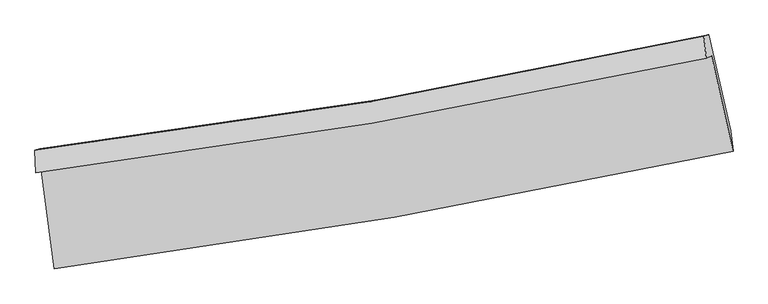
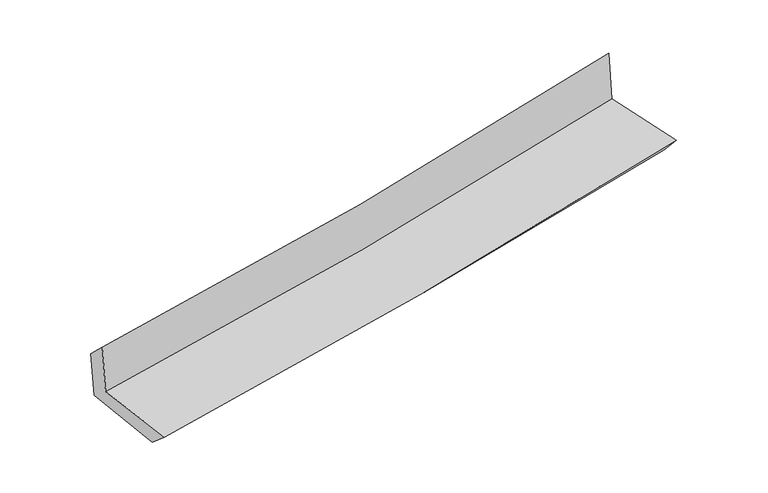
"""IFC4 building model written with IfcOpenShell, lengths in millimetres: proxy geometry."""

from ifc_helpers import new_model, si_unit, frame, origin, place, context, project, spatial, source, transform, mapped, element, save
from ifc_brep_helpers import plane_surface, spline_curve, spline_surface, advanced_brep


def generic_models_6046577b(model_context):
    return source(origin(), model_context, "Body", "AdvancedBrep", [
        advanced_brep(
        [(-2296.1778264, -1870.8185177, 1688.3830485), (-2206.5066471, -2536.9264187, 1672.5136168), (2381.5723947, -1740.9959236, 2117.0357254), (2236.0862672, -1095.2933825, 2127.2043686), (-2331.4714132, -1887.1726375, 2089.294926), (2199.8422784, -1112.0593697, 2537.7683654), (-2337.7668178, -1735.4971883, 1941.7526067), (2184.5083656, -965.5835666, 2358.6979521), (-2304.7011214, -1725.7359328, 1574.0272169), (2218.5731924, -955.5923517, 1986.0659919), (-2214.4547535, -2383.3737661, 1539.9998022), (2366.2127365, -1602.9183532, 1957.5215085)],
        [
            (0, 1),
            (1, 2, spline_curve(3, [(-2206.5066471, -2536.9264187, 1672.5136168), (-1437.608577758, -2436.08151908, 1743.641508658), (-671.614091473, -2319.503419774, 1816.168464585), (857.770009752, -2054.325579676, 1964.330733696), (1621.135204337, -1905.59351416, 2039.977813881), (2381.5723947, -1740.9959236, 2117.0357254)], [4, 2, 4], [0.0, 7.611454299234433, 15.254849915878587])),
            (2, 3),
            (3, 0, spline_curve(3, [(2236.0862672, -1095.2933825, 2127.2043686), (1485.313787023, -1259.267572618, 2051.032769186), (731.441573495, -1405.98101562, 1976.304974338), (-779.338977399, -1664.345432094, 1830.043242908), (-1536.221461673, -1776.140367357, 1758.497264381), (-2296.1778264, -1870.8185177, 1688.3830485)], [4, 2, 4], [0.0, 7.643395616644154, 15.254849915878587])),
            (4, 0),
            (3, 5),
            (5, 4, spline_curve(3, [(2199.8422784, -1112.0593697, 2537.7683654), (1449.512694313, -1275.832538961, 2456.764256627), (695.940997328, -1422.411215764, 2378.817551129), (-814.523940677, -1680.638895656, 2229.351904624), (-1571.390140611, -1792.431308153, 2157.807463614), (-2331.4714132, -1887.1726375, 2089.294926)], [4, 2, 4], [0.0, 7.595259485776994, 15.158778812309045])),
            (6, 4),
            (5, 7),
            (7, 6, spline_curve(3, [(2184.5083656, -965.5835666, 2358.6979521), (1435.668198812, -1130.518094662, 2286.25430272), (683.596017704, -1277.241114935, 2215.217219962), (-823.856000046, -1533.727097134, 2076.247169422), (-1579.20887996, -1643.641950743, 2008.302470419), (-2337.7668178, -1735.4971883, 1941.7526067)], [4, 2, 4], [0.0, 7.584852003646034, 15.138007340325538])),
            (8, 6),
            (7, 9),
            (9, 8, spline_curve(3, [(2218.5731924, -955.5923517, 1986.0659919), (1469.113863238, -1120.702422815, 1919.424755683), (716.649139243, -1267.532274393, 1851.693399903), (-791.134031601, -1524.094336775, 1714.338049347), (-1546.427412066, -1633.97901207, 1644.723146964), (-2304.7011214, -1725.7359328, 1574.0272169)], [4, 2, 4], [0.0, 7.575036163432007, 15.118416679737832])),
            (10, 8),
            (9, 11),
            (11, 10, spline_curve(3, [(2366.2127365, -1602.9183532, 1957.5215085), (1605.461492915, -1760.365109139, 1890.423386196), (842.559819074, -1904.234247963, 1822.005239226), (-684.347279859, -2164.27280895, 1682.820327445), (-1448.334769183, -2280.555474762, 1612.064572345), (-2214.4547535, -2383.3737661, 1539.9998022)], [4, 2, 4], [0.0, 7.6230361569292215, 15.214216077477843])),
            (1, 10),
            (11, 2),
        ],
        [
            spline_surface(3, 3, [[(-2296.1778264, -1870.8185177, 1688.3830485), (-1536.221461765, -1776.140367434, 1758.497264451), (-779.338977421, -1664.345432087, 1830.043242905), (731.441573517, -1405.981015628, 1976.304974342), (1485.313787074, -1259.267572563, 2051.032769234), (2236.0862672, -1095.2933825, 2127.2043686)], [(-2266.287433303, -2092.854484692, 1683.093237936), (-1503.350500405, -1996.120751282, 1753.545345816), (-743.430682138, -1882.731427936, 1825.418316768), (773.551052287, -1622.095870345, 1972.313560818), (1530.587592843, -1474.709553064, 2047.347784155), (2284.581643057, -1310.527562844, 2123.814820863)], [(-2236.397040197, -2314.890451708, 1677.803427364), (-1470.479539036, -2216.101135152, 1748.593427173), (-707.522386844, -2101.117423803, 1820.793390639), (815.66053107, -1838.210725082, 1968.322147302), (1575.86139854, -1690.151533634, 2043.662799086), (2333.077018843, -1525.761743256, 2120.425273137)], [(-2206.5066471, -2536.9264187, 1672.5136168), (-1437.608577676, -2436.081519, 1743.641508539), (-671.614091562, -2319.503419651, 1816.168464503), (857.770009841, -2054.325579799, 1964.330733778), (1621.135204309, -1905.593514135, 2039.977814007), (2381.5723947, -1740.9959236, 2117.0357254)]], [4, 4], [4, 2, 4], [0.0, 2.172878372205691], [0.0, 7.611454299234433, 15.254849915878587]),
            spline_surface(3, 3, [[(-2331.4714132, -1887.1726375, 2089.294926), (-1571.390140726, -1792.43130808, 2157.807463728), (-814.523940564, -1680.638895674, 2229.351904663), (695.940997215, -1422.411215747, 2378.81755109), (1449.512694282, -1275.832538891, 2456.764256628), (2199.8422784, -1112.0593697, 2537.7683654)], [(-2319.706884262, -1881.721264247, 1955.657633513), (-1559.667247735, -1787.000994545, 2024.704063982), (-802.795619519, -1675.207741145, 2096.249017414), (707.774522645, -1416.934482374, 2244.646692177), (1461.446391881, -1270.31088347, 2321.520427523), (2211.923608002, -1106.470707322, 2400.913699826)], [(-2307.942355338, -1876.269890953, 1822.020340987), (-1547.944354757, -1781.570680969, 1891.600664197), (-791.067298465, -1669.776586615, 1963.146130154), (719.608048086, -1411.457749, 2110.475833254), (1473.380089475, -1264.789227984, 2186.276598339), (2224.004937598, -1100.882044878, 2264.059034174)], [(-2296.1778264, -1870.8185177, 1688.3830485), (-1536.221461765, -1776.140367434, 1758.497264451), (-779.338977421, -1664.345432087, 1830.043242905), (731.441573517, -1405.981015628, 1976.304974342), (1485.313787074, -1259.267572563, 2051.032769234), (2236.0862672, -1095.2933825, 2127.2043686)]], [4, 4], [4, 2, 4], [0.0, 1.321537613382016], [0.0, 7.563519326532051, 15.158778812309045]),
            spline_surface(3, 3, [[(-2337.7668178, -1735.4971883, 1941.7526067), (-1579.208879894, -1643.641950855, 2008.302470457), (-823.85599992, -1533.727097131, 2076.247169485), (683.596017577, -1277.241114937, 2215.217219899), (1435.668198742, -1130.518094714, 2286.254302723), (2184.5083656, -965.5835666, 2358.6979521)], [(-2335.668349595, -1786.055671369, 1990.933379776), (-1576.6026335, -1693.238403266, 2058.137468191), (-820.745313457, -1582.69769664, 2127.282081201), (687.711010801, -1325.631148535, 2269.750663618), (1440.283030583, -1178.956242751, 2343.090954024), (2189.61966986, -1014.408834278, 2418.388089866)], [(-2333.569881405, -1836.614154431, 2040.114152924), (-1573.996387121, -1742.834855669, 2107.972465995), (-817.634627027, -1631.668296165, 2178.316992948), (691.826003991, -1374.021182149, 2324.28410737), (1444.897862442, -1227.394390854, 2399.927605327), (2194.73097414, -1063.234102022, 2478.078227634)], [(-2331.4714132, -1887.1726375, 2089.294926), (-1571.390140726, -1792.43130808, 2157.807463728), (-814.523940564, -1680.638895674, 2229.351904663), (695.940997215, -1422.411215747, 2378.81755109), (1449.512694282, -1275.832538891, 2456.764256628), (2199.8422784, -1112.0593697, 2537.7683654)]], [4, 4], [4, 2, 4], [0.0, 0.7076810443151164], [0.0, 7.553155336679504, 15.138007340325538]),
            spline_surface(3, 3, [[(-2304.7011214, -1725.7359328, 1574.0272169), (-1546.427412166, -1633.979012167, 1644.723146971), (-791.134031609, -1524.094336717, 1714.338049435), (716.649139251, -1267.532274452, 1851.693399815), (1469.113863304, -1120.702422866, 1919.424755711), (2218.5731924, -955.5923517, 1986.0659919)], [(-2315.723020192, -1728.989684623, 1696.602346833), (-1557.354568068, -1637.199991719, 1765.9162548), (-802.041354397, -1527.305256864, 1834.974422803), (705.631432009, -1270.768554622, 1972.868006527), (1457.96530846, -1123.974313493, 2041.701271369), (2207.218250143, -958.922756677, 2110.276645287)], [(-2326.744919008, -1732.243436477, 1819.177476767), (-1568.281723993, -1640.420971303, 1887.109362629), (-812.948677132, -1530.516176984, 1955.610796117), (694.613724819, -1274.004834766, 2094.042613186), (1446.816753586, -1127.246204088, 2163.977787065), (2195.863307857, -962.253161623, 2234.487298713)], [(-2337.7668178, -1735.4971883, 1941.7526067), (-1579.208879894, -1643.641950855, 2008.302470457), (-823.85599992, -1533.727097131, 2076.247169485), (683.596017577, -1277.241114937, 2215.217219899), (1435.668198742, -1130.518094714, 2286.254302723), (2184.5083656, -965.5835666, 2358.6979521)]], [4, 4], [4, 2, 4], [0.0, 1.1953287912348902], [0.0, 7.543380516305825, 15.118416679737832]),
            spline_surface(3, 3, [[(-2214.4547535, -2383.3737661, 1539.9998022), (-1448.334769283, -2280.555474758, 1612.064572458), (-684.347279815, -2164.272809071, 1682.820327494), (842.559819031, -1904.234247841, 1822.005239177), (1605.461492868, -1760.365109239, 1890.423386205), (2366.2127365, -1602.9183532, 1957.5215085)], [(-2244.536876133, -2164.161154995, 1551.342273795), (-1481.03231691, -2065.029987223, 1622.950763991), (-719.942863725, -1950.879984963, 1693.326234789), (800.589592459, -1692.000256721, 1831.901292704), (1560.012282994, -1547.144213783, 1900.090509371), (2316.999555114, -1387.143019368, 1967.036336297)], [(-2274.618998767, -1944.948543905, 1562.684745305), (-1513.729864539, -1849.504499703, 1633.836955438), (-755.5384477, -1737.487160825, 1703.83214214), (758.619365822, -1479.766265572, 1841.797346288), (1514.563073178, -1333.923318323, 1909.757632545), (2267.786373786, -1171.367685532, 1976.551164103)], [(-2304.7011214, -1725.7359328, 1574.0272169), (-1546.427412166, -1633.979012167, 1644.723146971), (-791.134031609, -1524.094336717, 1714.338049435), (716.649139251, -1267.532274452, 1851.693399815), (1469.113863304, -1120.702422866, 1919.424755711), (2218.5731924, -955.5923517, 1986.0659919)]], [4, 4], [4, 2, 4], [0.0, 2.131484072171316], [0.0, 7.591179920548622, 15.214216077477843]),
            spline_surface(3, 3, [[(-2206.5066471, -2536.9264187, 1672.5136168), (-1437.608577676, -2436.081519, 1743.641508539), (-671.614091562, -2319.503419651, 1816.168464503), (857.770009841, -2054.325579799, 1964.330733778), (1621.135204309, -1905.593514135, 2039.977814007), (2381.5723947, -1740.9959236, 2117.0357254)], [(-2209.156015915, -2485.742201174, 1628.342345246), (-1441.183974893, -2384.23950426, 1699.782529825), (-675.858487655, -2267.759882784, 1771.71908551), (852.699946229, -2004.295135806, 1916.888902255), (1615.910633819, -1857.184045848, 1990.126338066), (2376.452508624, -1694.970066812, 2063.86431976)], [(-2211.805384685, -2434.557983626, 1584.171073754), (-1444.759372065, -2332.397489499, 1655.923551173), (-680.102883722, -2216.016345938, 1727.269706486), (847.629882643, -1954.264691834, 1869.4470707), (1610.686063358, -1808.774577526, 1940.274862146), (2371.332622576, -1648.944209988, 2010.69291414)], [(-2214.4547535, -2383.3737661, 1539.9998022), (-1448.334769283, -2280.555474758, 1612.064572458), (-684.347279815, -2164.272809071, 1682.820327494), (842.559819031, -1904.234247841, 1822.005239177), (1605.461492868, -1760.365109239, 1890.423386205), (2366.2127365, -1602.9183532, 1957.5215085)]], [4, 4], [4, 2, 4], [0.0, 0.6763752844984311], [0.0, 7.648910297444275, 15.329919095653867]),
            plane_surface(frame((2264.4658725, -1245.4071579, 2180.715652), z_axis=(0.9714839842114196, 0.217399009258712, 0.09463899404599033), x_axis=(-0.09100477004827699, -0.02669170236960051, 0.9954926844799378))),
            plane_surface(frame((-2281.8464299, -2023.2540768, 1750.9952029), z_axis=(-0.9871240408176719, -0.1306889248179814, -0.0922308677705638), x_axis=(-0.13337894240355305, 0.9907839738548566, 0.02360455201202678))),
        ],
        [
            (0, [[1, 2, 3, 4]]),
            (1, [[5, -4, 6, 7]]),
            (2, [[8, -7, 9, 10]]),
            (3, [[11, -10, 12, 13]]),
            (4, [[14, -13, 15, 16]]),
            (5, [[17, -16, 18, -2]]),
            (6, [[-12, -9, -6, -3, -18, -15]]),
            (7, [[-1, -5, -8, -11, -14, -17]]),
        ],
    ),
    ])


if __name__ == "__main__":
    model = new_model("IFC4")
    model_context = context("Model", 3, world=origin())
    ifc_project = project(units=[si_unit("LENGTHUNIT", "METRE", prefix="MILLI")], contexts=[model_context])
    site = spatial("IfcSite", under=ifc_project)
    building = spatial("IfcBuilding", under=site)
    placement = place(None, origin())
    generic_models_shape = generic_models_6046577b(model_context)
    element("IfcBuildingElementProxy", 1, Name="Generic Models", at=placement, inside=building, context=model_context, shape_type="MappedRepresentation", body=[
        mapped(generic_models_shape, transform((0.0, 0.0, 0.0), x_axis=(1.0, 0.0, 0.0), y_axis=(0.0, 1.0, 0.0), z_axis=(0.0, 0.0, 1.0))),
    ])
    save(model, "model.ifc")
